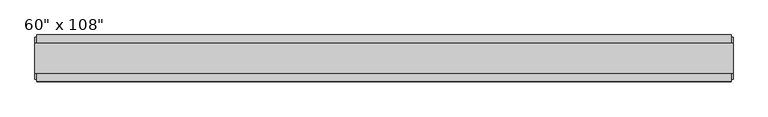
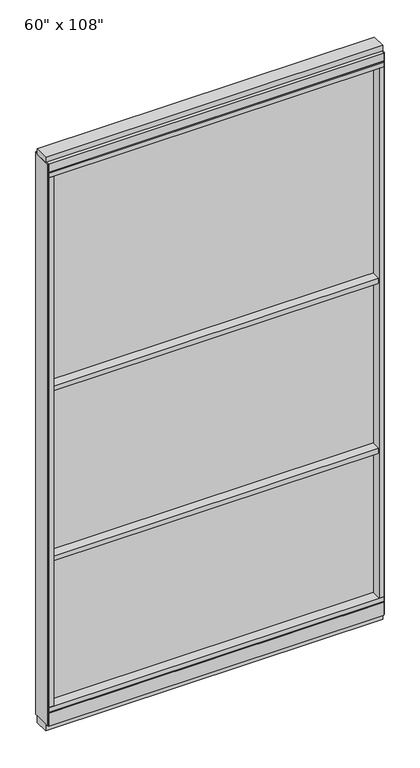
"""IFC4 building model written with IfcOpenShell, lengths in millimetres: furniture geometry."""

from ifc_helpers import new_model, si_unit, frame, origin, origin_with_axes, place, context, project, spatial, polyline, outline, extrude, source, transform, mapped, element, save


def furniture_604ffbd3(model_context):
    return source(origin(), model_context, "Body", "SweptSolid", [
        extrude(outline(polyline([(-795.8745229, -52.3332216), (-795.8745229, 43.2977784), (675.8014771, 43.2977784), (675.8014771, -52.3332216), (-795.8745229, -52.3332216)])), frame((0.0, 0.0, 1625.6), z_axis=(0.0, 0.0, 1.0), x_axis=(1.0, 0.0, 0.0)), (0.0, 0.0, 1.0), 22.225),
        extrude(outline(polyline([(-795.8745229, -52.3332216), (-795.8745229, 43.2977784), (675.8014771, 43.2977784), (675.8014771, -52.3332216), (-795.8745229, -52.3332216)])), frame((0.0, 0.0, 812.8), z_axis=(0.0, 0.0, 1.0), x_axis=(1.0, 0.0, 0.0)), (0.0, 0.0, 1.0), 22.225),
        extrude(outline(polyline([(675.8014771, -9.5977216), (-795.8745229, -9.5977216), (-795.8745229, 0.5622784), (675.8014771, 0.5622784), (675.8014771, -9.5977216)])), frame((0.0, 0.0, 120.523), z_axis=(0.0, 0.0, 1.0), x_axis=(1.0, 0.0, 0.0)), (0.0, 0.0, 1.0), 2533.777),
        extrude(outline(polyline([(-55.3177216, 93.345), (-50.3647216, 93.345), (-50.3647216, 98.298), (41.3292784, 98.298), (41.3292784, 93.345), (46.2822784, 93.345), (46.2822784, 31.75), (-55.3177216, 31.75), (-55.3177216, 93.345)])), frame((-818.0995229, 0.0, 0.0), z_axis=(1.0, 0.0, 0.0), x_axis=(0.0, 1.0, 0.0)), (0.0, 0.0, 1.0), 1516.126),
        extrude(outline(polyline([(-818.0995229, -55.3177216), (-818.0995229, 46.2822784), (698.0264771, 46.2822784), (698.0264771, -55.3177216), (-818.0995229, -55.3177216)])), frame((0.0, 0.0, 98.298), z_axis=(0.0, 0.0, 1.0), x_axis=(1.0, 0.0, 0.0)), (0.0, 0.0, 1.0), 22.225),
        extrude(outline(polyline([(701.9634771, 27.9942784), (701.9634771, -37.0297216), (-822.0365229, -37.0297216), (-822.0365229, 27.9942784), (701.9634771, 27.9942784)])), origin_with_axes(), (0.0, 0.0, 1.0), 31.75),
        extrude(outline(polyline([(-822.0365229, -37.0297216), (-822.0365229, 27.9942784), (701.9634771, 27.9942784), (701.9634771, -37.0297216), (-822.0365229, -37.0297216)])), frame((0.0, 0.0, 2717.8), z_axis=(0.0, 0.0, 1.0), x_axis=(1.0, 0.0, 0.0)), (0.0, 0.0, 1.0), 25.4),
        extrude(outline(polyline([(-55.3177216, 2681.478), (-55.3177216, 2717.8), (46.2822784, 2717.8), (46.2822784, 2681.478), (41.3292784, 2681.478), (41.3292784, 2676.525), (-50.3647216, 2676.525), (-50.3647216, 2681.478), (-55.3177216, 2681.478)])), frame((-818.0995229, 0.0, 0.0), z_axis=(1.0, 0.0, 0.0), x_axis=(0.0, 1.0, 0.0)), (0.0, 0.0, 1.0), 1516.126),
        extrude(outline(polyline([(698.0264771, 46.2822784), (698.0264771, -55.3177216), (-818.0995229, -55.3177216), (-818.0995229, 46.2822784), (698.0264771, 46.2822784)])), frame((0.0, 0.0, 2654.3), z_axis=(0.0, 0.0, 1.0), x_axis=(1.0, 0.0, 0.0)), (0.0, 0.0, 1.0), 22.225),
        extrude(outline(polyline([(675.8014771, -55.3177216), (675.8014771, 46.2822784), (698.0264771, 46.2822784), (698.0264771, -55.3177216), (675.8014771, -55.3177216)])), frame((0.0, 0.0, 120.523), z_axis=(0.0, 0.0, 1.0), x_axis=(1.0, 0.0, 0.0)), (0.0, 0.0, 1.0), 2533.777),
        extrude(outline(polyline([(-795.8745229, -55.3177216), (-818.0995229, -55.3177216), (-818.0995229, 46.2822784), (-795.8745229, 46.2822784), (-795.8745229, -55.3177216)])), frame((0.0, 0.0, 120.523), z_axis=(0.0, 0.0, 1.0), x_axis=(1.0, 0.0, 0.0)), (0.0, 0.0, 1.0), 2533.777),
        extrude(outline(polyline([(701.9634771, -50.3647216), (698.0264771, -50.3647216), (698.0264771, 41.3292784), (701.9634771, 41.3292784), (701.9634771, -50.3647216)])), frame((0.0, 0.0, 31.75), z_axis=(0.0, 0.0, 1.0), x_axis=(1.0, 0.0, 0.0)), (0.0, 0.0, 1.0), 2686.05),
        extrude(outline(polyline([(-822.0365229, -50.3647216), (-822.0365229, 41.3292784), (-818.0995229, 41.3292784), (-818.0995229, -50.3647216), (-822.0365229, -50.3647216)])), frame((0.0, 0.0, 31.75), z_axis=(0.0, 0.0, 1.0), x_axis=(1.0, 0.0, 0.0)), (0.0, 0.0, 1.0), 2686.05),
    ])


if __name__ == "__main__":
    model = new_model("IFC4")
    model_context = context("Model", 3, world=origin())
    ifc_project = project(units=[si_unit("LENGTHUNIT", "METRE", prefix="MILLI")], contexts=[model_context])
    site = spatial("IfcSite", under=ifc_project)
    building = spatial("IfcBuilding", under=site)
    placement = place(None, origin())
    furniture_shape = furniture_604ffbd3(model_context)
    element("IfcFurniture", 1, ObjectType="60\" x 108\"", at=placement, inside=building, context=model_context, shape_type="MappedRepresentation", body=[
        mapped(furniture_shape, transform((0.0, 0.0, 0.0), x_axis=(1.0, 0.0, 0.0), y_axis=(0.0, 1.0, 0.0), z_axis=(0.0, 0.0, 1.0))),
    ])
    save(model, "model.ifc")
